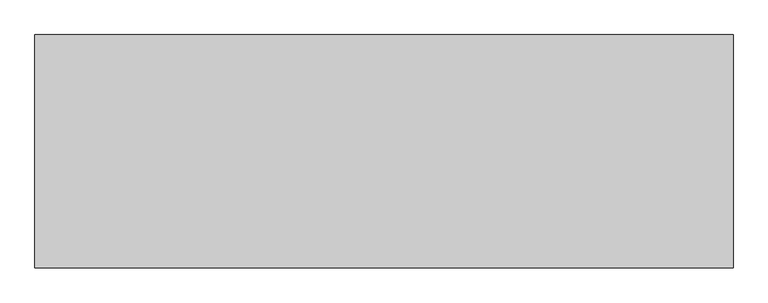
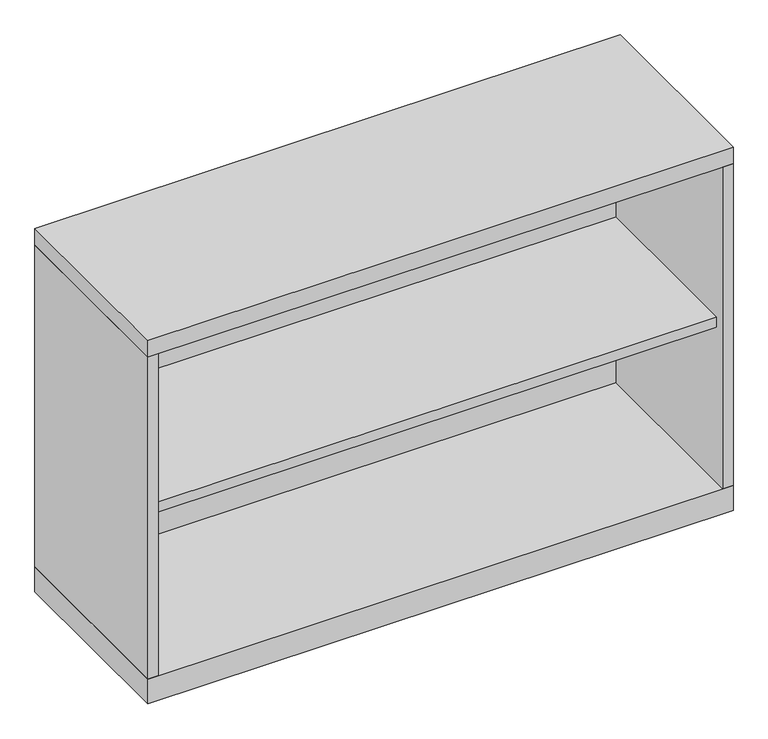
"""IFC4 building model written with IfcOpenShell, lengths in millimetres: furniture geometry."""

from ifc_helpers import new_model, si_unit, frame, origin, origin_with_axes, place, context, project, spatial, polyline, outline, extrude, source, transform, mapped, element, save


def furniture_28e1bc5a(model_context):
    return source(origin(), model_context, "Body", "SweptSolid", [
        extrude(outline(polyline([(512.7625, -19.05), (512.7625, -336.55), (-512.7625, -336.55), (-512.7625, -19.05), (512.7625, -19.05)])), frame((0.0, 0.0, 347.6625), z_axis=(0.0, 0.0, 1.0), x_axis=(1.0, 0.0, 0.0)), (0.0, 0.0, 1.0), 19.05),
        extrude(outline(polyline([(531.8125, 0.0), (531.8125, -355.6), (-531.8125, -355.6), (-531.8125, 0.0), (531.8125, 0.0)])), origin_with_axes(), (0.0, 0.0, 1.0), 47.625),
        extrude(outline(polyline([(531.8125, 0.0), (531.8125, -355.6), (-531.8125, -355.6), (-531.8125, 0.0), (531.8125, 0.0)])), frame((0.0, 0.0, 666.75), z_axis=(0.0, 0.0, 1.0), x_axis=(1.0, 0.0, 0.0)), (0.0, 0.0, 1.0), 31.75),
        extrude(outline(polyline([(531.8125, 0.0), (531.8125, -355.6), (512.7625, -355.6), (512.7625, -19.05), (-512.7625, -19.05), (-512.7625, -355.6), (-531.8125, -355.6), (-531.8125, 0.0), (531.8125, 0.0)])), frame((0.0, 0.0, 47.625), z_axis=(0.0, 0.0, 1.0), x_axis=(1.0, 0.0, 0.0)), (0.0, 0.0, 1.0), 619.125),
    ])


if __name__ == "__main__":
    model = new_model("IFC4")
    model_context = context("Model", 3, world=origin())
    ifc_project = project(units=[si_unit("LENGTHUNIT", "METRE", prefix="MILLI")], contexts=[model_context])
    site = spatial("IfcSite", under=ifc_project)
    building = spatial("IfcBuilding", under=site)
    placement = place(None, origin())
    furniture_shape = furniture_28e1bc5a(model_context)
    element("IfcFurniture", 1, at=placement, inside=building, context=model_context, shape_type="MappedRepresentation", body=[
        mapped(furniture_shape, transform((0.0, 0.0, 0.0), x_axis=(1.0, 0.0, 0.0), y_axis=(0.0, 1.0, 0.0), z_axis=(0.0, 0.0, 1.0))),
    ])
    save(model, "model.ifc")
